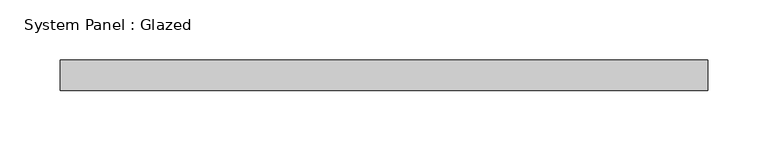
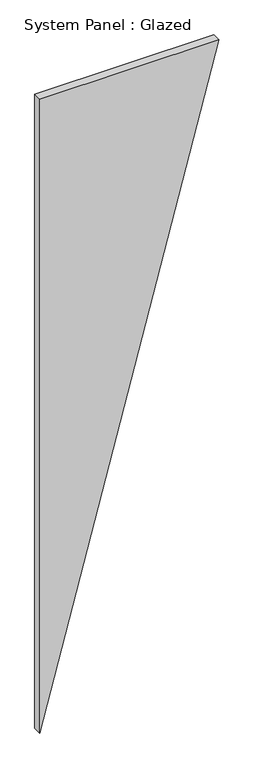
"""IFC4 building model written with IfcOpenShell, lengths in millimetres: plate geometry, System Panel : Glazed."""

from ifc_helpers import new_model, si_unit, frame, origin, place, context, project, spatial, polyline, outline, extrude, source, transform, mapped, element, save


def system_panel_glazed_75e1e219(model_context):
    return source(origin(), model_context, "Body", "SweptSolid", [
        extrude(outline(polyline([(0.0, -267.9699542), (2000.1549677, 267.9699542), (2000.1549677, -267.9699542), (0.0, -267.9699542)])), frame((0.0, -2.5, 0.0), z_axis=(0.0, 1.0, 0.0), x_axis=(0.0, 0.0, 1.0)), (0.0, 0.0, 1.0), 25.0),
    ])


if __name__ == "__main__":
    model = new_model("IFC4")
    model_context = context("Model", 3, world=origin())
    ifc_project = project(units=[si_unit("LENGTHUNIT", "METRE", prefix="MILLI")], contexts=[model_context])
    site = spatial("IfcSite", under=ifc_project)
    building = spatial("IfcBuilding", under=site)
    placement = place(None, origin())
    system_panel_glazed_shape = system_panel_glazed_75e1e219(model_context)
    element("IfcPlate", 1, ObjectType="System Panel : Glazed", at=placement, inside=building, context=model_context, shape_type="MappedRepresentation", body=[
        mapped(system_panel_glazed_shape, transform((0.0, 0.0, 0.0), x_axis=(1.0, 0.0, 0.0), y_axis=(0.0, 1.0, 0.0), z_axis=(0.0, 0.0, 1.0))),
    ])
    save(model, "model.ifc")
